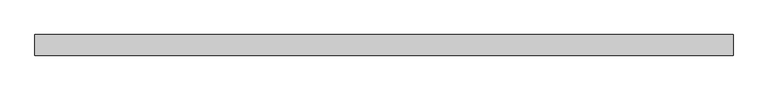
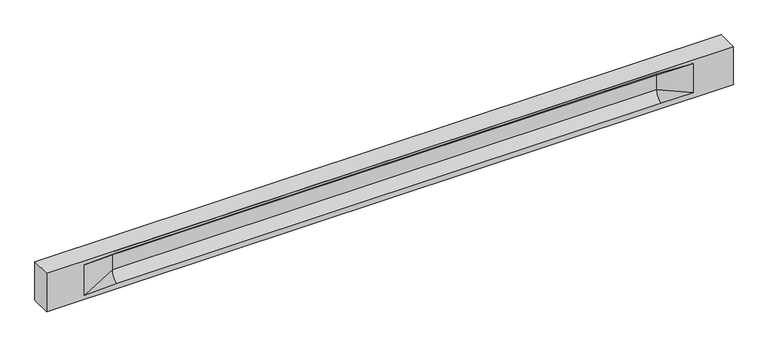
"""IFC4 building model written with IfcOpenShell, lengths in millimetres: beam geometry."""

from ifc_helpers import new_model, si_unit, frame, origin, place, context, project, spatial, polyline, circle_curve, source, transform, mapped, element, save
from ifc_brep_helpers import plane_surface, revolved_surface, spline_surface, advanced_brep


def beam_20c83540(model_context):
    return source(origin(), model_context, "Body", "AdvancedBrep", [
        advanced_brep(
        [(8449.0, -250.0, 500.0), (8449.0, -250.0, -500.0), (8449.0, 250.0, -500.0), (8449.0, 250.0, 500.0), (-8449.0, -250.0, 500.0), (-8449.0, -250.0, -500.0), (7474.0, -250.0, -362.0), (6674.0, -250.0, -360.0), (-6719.0, -250.0, -360.0), (-7519.0, -250.0, -400.0), (-7519.0, -250.0, 400.0), (-6719.0, -250.0, 435.0), (6674.0, -250.0, 435.0), (7474.0, -250.0, 400.0), (-8449.0, 250.0, -500.0), (-8449.0, 250.0, 500.0), (7474.0, 250.0, 400.0), (6674.0, 250.0, 435.0), (-6719.0, 250.0, 435.0), (-7519.0, 250.0, 400.0), (-7519.0, 250.0, -400.0), (-6719.0, 250.0, -360.0), (6674.0, 250.0, -360.0), (7474.0, 250.0, -362.0), (6674.0, 155.0, 405.0), (-6719.0, 155.0, 405.0), (6674.0, 60.0, 262.777021), (-6719.0, 60.0, 262.777021), (6674.0, 60.0, -120.0), (-6719.0, 60.0, -120.0), (6674.0, -60.0, -120.0), (-6719.0, -60.0, -120.0), (6674.0, -60.0, 262.777021), (-6719.0, -60.0, 262.777021), (6674.0, -155.0, 405.0), (-6719.0, -155.0, 405.0)],
        [
            (0, 1),
            (1, 2),
            (2, 3),
            (3, 0),
            (0, 4),
            (4, 5),
            (5, 1),
            (6, 7),
            (7, 8),
            (8, 9),
            (9, 10),
            (10, 11),
            (11, 12),
            (12, 13),
            (13, 6),
            (5, 14),
            (14, 2),
            (14, 15),
            (15, 3),
            (16, 17),
            (17, 18),
            (18, 19),
            (19, 20),
            (20, 21),
            (21, 22),
            (22, 23),
            (23, 16),
            (15, 4),
            (17, 24),
            (24, 25),
            (25, 18),
            (24, 26, circle_curve(frame((6674.0, 213.9598725, 262.777021), z_axis=(1.0, 0.0, 0.0), x_axis=(0.0, 1.0, 0.0)), 153.9598725)),
            (26, 27),
            (27, 25, circle_curve(frame((-6719.0, 213.9598725, 262.777021), z_axis=(-1.0, 0.0, 0.0), x_axis=(0.0, 1.0, 0.0)), 153.9598725)),
            (26, 28),
            (28, 29),
            (29, 27),
            (28, 22, circle_curve(frame((6674.0, 306.5789474, -120.0), z_axis=(1.0, 0.0, 0.0), x_axis=(0.0, 1.0, 0.0)), 246.5789474)),
            (21, 29, circle_curve(frame((-6719.0, 306.5789474, -120.0), z_axis=(-1.0, 0.0, 0.0), x_axis=(0.0, 1.0, 0.0)), 246.5789474)),
            (7, 30, circle_curve(frame((6674.0, -306.5789474, -120.0), z_axis=(1.0, 0.0, 0.0), x_axis=(0.0, 1.0, 0.0)), 246.5789474)),
            (30, 31),
            (31, 8, circle_curve(frame((-6719.0, -306.5789474, -120.0), z_axis=(-1.0, 0.0, 0.0), x_axis=(0.0, 1.0, 0.0)), 246.5789474)),
            (30, 32),
            (32, 33),
            (33, 31),
            (32, 34, circle_curve(frame((6674.0, -213.9598725, 262.777021), z_axis=(1.0, 0.0, 0.0), x_axis=(0.0, 1.0, 0.0)), 153.9598725)),
            (34, 35),
            (35, 33, circle_curve(frame((-6719.0, -213.9598725, 262.777021), z_axis=(-1.0, 0.0, 0.0), x_axis=(0.0, 1.0, 0.0)), 153.9598725)),
            (34, 12),
            (11, 35),
            (27, 19),
            (19, 25),
            (10, 35),
            (10, 33),
            (9, 31),
            (20, 29),
            (34, 13),
            (32, 13),
            (30, 6),
            (28, 23),
            (26, 16),
            (24, 16),
        ],
        [
            plane_surface(frame((8449.0, 0.0, 0.0), z_axis=(1.0, 0.0, 0.0), x_axis=(0.0, 0.0, 1.0))),
            plane_surface(frame((8449.0, -250.0, 500.0), z_axis=(0.0, -1.0, 0.0), x_axis=(-1.0, 0.0, 0.0))),
            plane_surface(frame((8449.0, -250.0, -500.0), z_axis=(0.0, 0.0, -1.0), x_axis=(-1.0, 0.0, 0.0))),
            plane_surface(frame((8449.0, 250.0, -500.0), z_axis=(0.0, 1.0, 0.0), x_axis=(-1.0, 0.0, 0.0))),
            plane_surface(frame((8449.0, 250.0, 500.0), z_axis=(0.0, 0.0, 1.0), x_axis=(-1.0, 0.0, 0.0))),
            plane_surface(frame((-6719.0, 250.0, 435.0), z_axis=(0.0, 0.30113136793710954, -0.9535826651341378), x_axis=(1.0, 0.0, 0.0))),
            revolved_surface(polyline([(6674.0, 367.919745, 262.777021), (-6719.0, 367.919745, 262.777021)]), (-6719.0, 213.9598725, 262.777021), (1.0, 0.0, 0.0)),
            plane_surface(frame((-6719.0, 60.0, 262.777021), z_axis=(0.0, 1.0, 0.0), x_axis=(1.0, 0.0, 0.0))),
            revolved_surface(polyline([(6674.0, 553.1578948, -120.0), (-6719.0, 553.1578948, -120.0)]), (-6719.0, 306.5789474, -120.0), (1.0, 0.0, 0.0)),
            revolved_surface(polyline([(6674.0, -60.0, -120.0), (-6719.0, -60.0, -120.0)]), (-6719.0, -306.5789474, -120.0), (1.0, 0.0, 0.0)),
            plane_surface(frame((-6719.0, -60.0, -120.0), z_axis=(0.0, -1.0, 0.0), x_axis=(1.0, 0.0, 0.0))),
            revolved_surface(polyline([(6674.0, -60.0, 262.777021), (-6719.0, -60.0, 262.777021)]), (-6719.0, -213.9598725, 262.777021), (1.0, 0.0, 0.0)),
            plane_surface(frame((-6719.0, -155.0, 405.0), z_axis=(0.0, -0.30113136793710693, -0.9535826651341387), x_axis=(1.0, 0.0, 0.0))),
            spline_surface(2, 1, [[(-7519.0, 250.0, 400.0), (-6719.0, 60.0, 262.777021)], [(-7519.0, 250.0, 400.0), (-6719.0, 59.99999995452379, 365.6168572954922)], [(-7519.0, 250.0, 400.0), (-6719.0, 155.0, 405.0)]], [3, 3], [2, 2], [0.0, 1.0], [0.0, 1.0], weights=[[1.0, 1.0], [0.8315515921160737, 0.8315515921160737], [1.0, 1.0]]),
            plane_surface(frame((-7519.0, 250.0, 400.0), z_axis=(0.04168298285568771, 0.30086965068766386, -0.9527538938442265), x_axis=(0.0, 0.9535826651341378, 0.30113136793710954))),
            plane_surface(frame((-7519.0, -250.0, 400.0), z_axis=(0.041682982855687736, -0.30086965068766125, -0.9527538938442274), x_axis=(0.0, 0.9535826651341387, -0.30113136793710693))),
            spline_surface(2, 1, [[(-7519.0, -250.0, 400.0), (-6719.0, -155.0, 405.0)], [(-7519.0, -250.0, 400.0), (-6719.0, -60.00000008030692, 365.6168572114734)], [(-7519.0, -250.0, 400.0), (-6719.0, -60.0, 262.777021)]], [3, 3], [2, 2], [0.0, 1.0], [0.0, 1.0], weights=[[1.0, 1.0], [0.8315515924557569, 0.8315515924557569], [1.0, 1.0]]),
            plane_surface(frame((-7519.0, -250.0, 0.0), z_axis=(0.23107243079589934, -0.9729365507195596, 0.0), x_axis=(0.0, 0.0, -1.0))),
            spline_surface(2, 1, [[(-7519.0, -250.0, -400.0), (-6719.0, -60.0, -120.0)], [(-7519.0, -250.0, -400.0), (-6719.0, -59.99999998020837, -315.20833333333337)], [(-7519.0, -250.0, -400.0), (-6719.0, -250.0, -360.0)]], [3, 3], [2, 2], [0.0, 1.0], [0.0, 1.0], weights=[[1.0, 1.0], [0.7840458244617614, 0.7840458244617614], [1.0, 1.0]]),
            spline_surface(2, 1, [[(-7519.0, 250.0, -400.0), (-6719.0, 250.0, -360.0)], [(-7519.0, 250.0, -400.0), (-6719.0, 60.00000002887427, -315.20833329480604)], [(-7519.0, 250.0, -400.0), (-6719.0, 60.0, -120.0)]], [3, 3], [2, 2], [0.0, 1.0], [0.0, 1.0], weights=[[1.0, 1.0], [0.7840458245391329, 0.7840458245391329], [1.0, 1.0]]),
            plane_surface(frame((-7519.0, 250.0, 0.0), z_axis=(0.23107243079589507, 0.9729365507195608, 0.0), x_axis=(0.0, 0.0, 1.0))),
            plane_surface(frame((-8449.0, 0.0, 0.0), z_axis=(-1.0, 0.0, 0.0), x_axis=(0.0, 0.0, 1.0))),
            plane_surface(frame((6674.0, -202.5, 420.0), z_axis=(-0.041682982855687396, -0.30086965068766125, -0.9527538938442274), x_axis=(0.0, 0.9535826651341387, -0.30113136793710693))),
            spline_surface(2, 1, [[(6674.0, -155.0, 405.0), (7474.0, -250.0, 400.0)], [(6674.0, -60.00000008030692, 365.6168572114734), (7474.0, -250.0, 400.0)], [(6674.0, -60.0, 262.777021), (7474.0, -250.0, 400.0)]], [3, 3], [2, 2], [0.0, 1.0], [0.0, 1.0], weights=[[1.0, 1.0], [0.8315515924557569, 0.8315515924557569], [1.0, 1.0]]),
            plane_surface(frame((6674.0, -60.0, 71.3885105), z_axis=(-0.23107243079589707, -0.9729365507195603, 0.0), x_axis=(0.0, 0.0, -1.0))),
            spline_surface(2, 1, [[(6674.0, -60.0, -120.0), (7474.0, -250.0, -362.0)], [(6674.0, -59.99999998020837, -315.20833333333337), (7474.0, -250.0, -362.0)], [(6674.0, -250.0, -360.0), (7474.0, -250.0, -362.0)]], [3, 3], [2, 2], [0.0, 1.0], [0.0, 1.0], weights=[[1.0, 1.0], [0.7840458244617614, 0.7840458244617614], [1.0, 1.0]]),
            spline_surface(2, 1, [[(6674.0, 250.0, -360.0), (7474.0, 250.0, -362.0)], [(6674.0, 60.00000002887427, -315.20833329480604), (7474.0, 250.0, -362.0)], [(6674.0, 60.0, -120.0), (7474.0, 250.0, -362.0)]], [3, 3], [2, 2], [0.0, 1.0], [0.0, 1.0], weights=[[1.0, 1.0], [0.7840458245391329, 0.7840458245391329], [1.0, 1.0]]),
            plane_surface(frame((6674.0, 60.0, 71.3885105), z_axis=(-0.23107243079589063, 0.9729365507195618, 0.0), x_axis=(0.0, 0.0, 1.0))),
            spline_surface(2, 1, [[(6674.0, 60.0, 262.777021), (7474.0, 250.0, 400.0)], [(6674.0, 59.99999995452379, 365.6168572954922), (7474.0, 250.0, 400.0)], [(6674.0, 155.0, 405.0), (7474.0, 250.0, 400.0)]], [3, 3], [2, 2], [0.0, 1.0], [0.0, 1.0], weights=[[1.0, 1.0], [0.8315515921160737, 0.8315515921160737], [1.0, 1.0]]),
            plane_surface(frame((6674.0, 202.5, 420.0), z_axis=(-0.04168298285568666, 0.30086965068766386, -0.9527538938442265), x_axis=(0.0, 0.9535826651341378, 0.30113136793710954))),
        ],
        [
            (0, [[1, 2, 3, 4]]),
            (1, [[-1, 5, 6, 7], [8, 9, 10, 11, 12, 13, 14, 15]]),
            (2, [[-2, -7, 16, 17]]),
            (3, [[-3, -17, 18, 19], [20, 21, 22, 23, 24, 25, 26, 27]]),
            (4, [[-5, -4, -19, 28]]),
            (5, [[-21, 29, 30, 31]]),
            (6, [[-30, 32, 33, 34]]),
            (7, [[-33, 35, 36, 37]]),
            (8, [[-36, 38, -25, 39]]),
            (9, [[-9, 40, 41, 42]]),
            (10, [[-41, 43, 44, 45]]),
            (11, [[-44, 46, 47, 48]]),
            (12, [[-47, 49, -13, 50]]),
            (13, [[51, 52, -34]]),
            (14, [[-52, -22, -31]]),
            (15, [[-12, 53, -50]]),
            (16, [[-53, 54, -48]]),
            (17, [[-54, -11, 55, -45]]),
            (18, [[-55, -10, -42]]),
            (19, [[-24, 56, -39]]),
            (20, [[-51, -37, -56, -23]]),
            (21, [[-28, -18, -16, -6]]),
            (22, [[-14, -49, 57]]),
            (23, [[-57, -46, 58]]),
            (24, [[-58, -43, 59, -15]]),
            (25, [[-59, -40, -8]]),
            (26, [[-26, -38, 60]]),
            (27, [[-60, -35, 61, -27]]),
            (28, [[-61, -32, 62]]),
            (29, [[-62, -29, -20]]),
        ],
    ),
    ])


if __name__ == "__main__":
    model = new_model("IFC4")
    model_context = context("Model", 3, world=origin())
    ifc_project = project(units=[si_unit("LENGTHUNIT", "METRE", prefix="MILLI")], contexts=[model_context])
    site = spatial("IfcSite", under=ifc_project)
    building = spatial("IfcBuilding", under=site)
    placement = place(None, origin())
    beam_shape = beam_20c83540(model_context)
    element("IfcBeam", 1, at=placement, inside=building, context=model_context, shape_type="MappedRepresentation", body=[
        mapped(beam_shape, transform((0.0, 0.0, 0.0), x_axis=(1.0, 0.0, 0.0), y_axis=(0.0, 1.0, 0.0), z_axis=(0.0, 0.0, 1.0))),
    ])
    save(model, "model.ifc")
